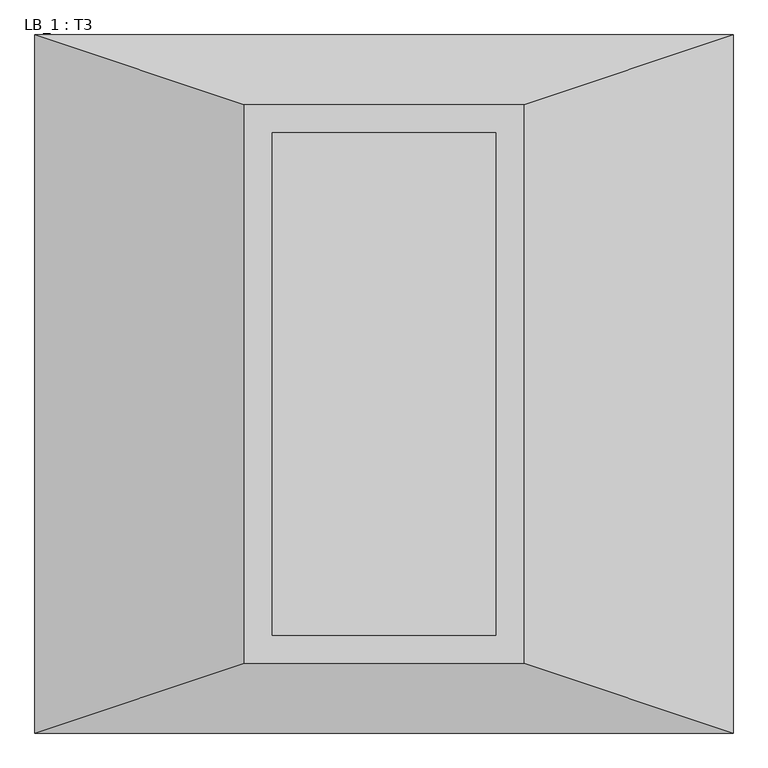
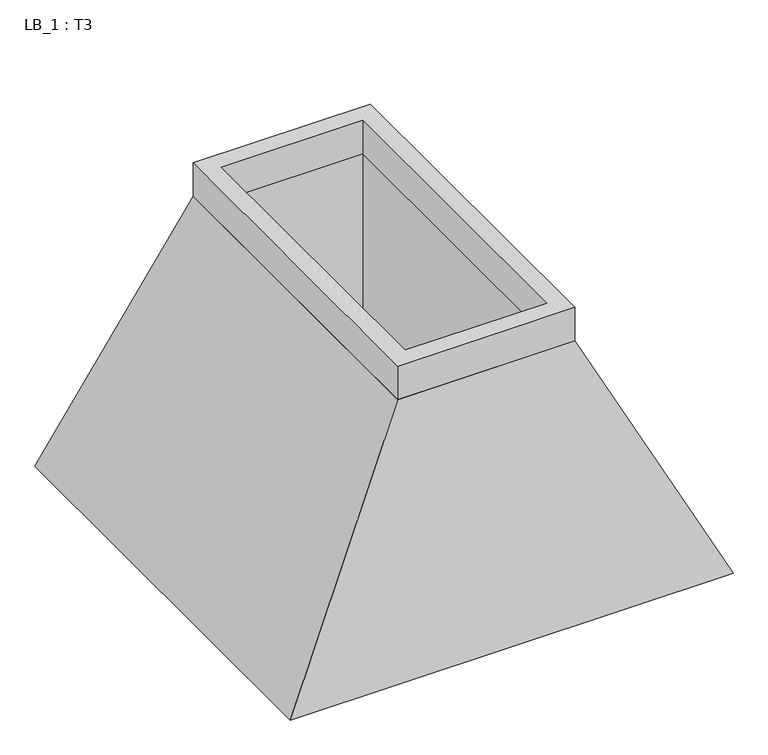
"""IFC4 building model written with IfcOpenShell, lengths in millimetres: proxy geometry, LB_1 : T3."""

from ifc_helpers import new_model, si_unit, frame, origin, place, context, project, spatial, polyline, outline, extrude, faceted_brep, source, transform, mapped, element, save


def lb_1_t3_0073aa42(model_context):
    return source(origin(), model_context, "Body", "SolidModel", [
        extrude(outline(polyline([(500.0, 1000.0), (500.0, -1000.0), (-500.0, -1000.0), (-500.0, 1000.0), (500.0, 1000.0)]), holes=[polyline([(400.0, 900.0), (-400.0, 900.0), (-400.0, -900.0), (400.0, -900.0), (400.0, 900.0)])]), frame((0.0, 0.0, 1500.0), z_axis=(0.0, 0.0, 1.0), x_axis=(1.0, 0.0, 0.0)), (0.0, 0.0, 1.0), 200.0),
        faceted_brep([(500.0, 1000.0, 1500.0), (-500.0, 1000.0, 1500.0), (-500.0, -1000.0, 1500.0), (500.0, -1000.0, 1500.0), (-400.0, 900.0, 1500.0), (400.0, 900.0, 1500.0), (400.0, -900.0, 1500.0), (-400.0, -900.0, 1500.0), (1250.0, 1250.0, 0.0), (1250.0, -1250.0, 0.0), (-1250.0, -1250.0, 0.0), (-1250.0, 1250.0, 0.0), (400.0, 900.0, 500.0), (-400.0, 900.0, 500.0), (-400.0, -900.0, 500.0), (400.0, -900.0, 500.0)], [[[0, 1, 2, 3], [4, 5, 6, 7]], [[8, 9, 10, 11]], [[1, 0, 8, 11]], [[2, 1, 11, 10]], [[3, 2, 10, 9]], [[0, 3, 9, 8]], [[12, 13, 14, 15]], [[13, 12, 5, 4]], [[14, 13, 4, 7]], [[15, 14, 7, 6]], [[12, 15, 6, 5]]]),
    ])


if __name__ == "__main__":
    model = new_model("IFC4")
    model_context = context("Model", 3, world=origin())
    ifc_project = project(units=[si_unit("LENGTHUNIT", "METRE", prefix="MILLI")], contexts=[model_context])
    site = spatial("IfcSite", under=ifc_project)
    building = spatial("IfcBuilding", under=site)
    placement = place(None, origin())
    lb_1_t3_shape = lb_1_t3_0073aa42(model_context)
    element("IfcBuildingElementProxy", 1, Name="LB_1 : T3", ObjectType="LB_1 : T3", at=placement, inside=building, context=model_context, shape_type="MappedRepresentation", body=[
        mapped(lb_1_t3_shape, transform((0.0, 0.0, 0.0), x_axis=(1.0, 0.0, 0.0), y_axis=(0.0, 1.0, 0.0), z_axis=(0.0, 0.0, 1.0))),
    ])
    save(model, "model.ifc")
